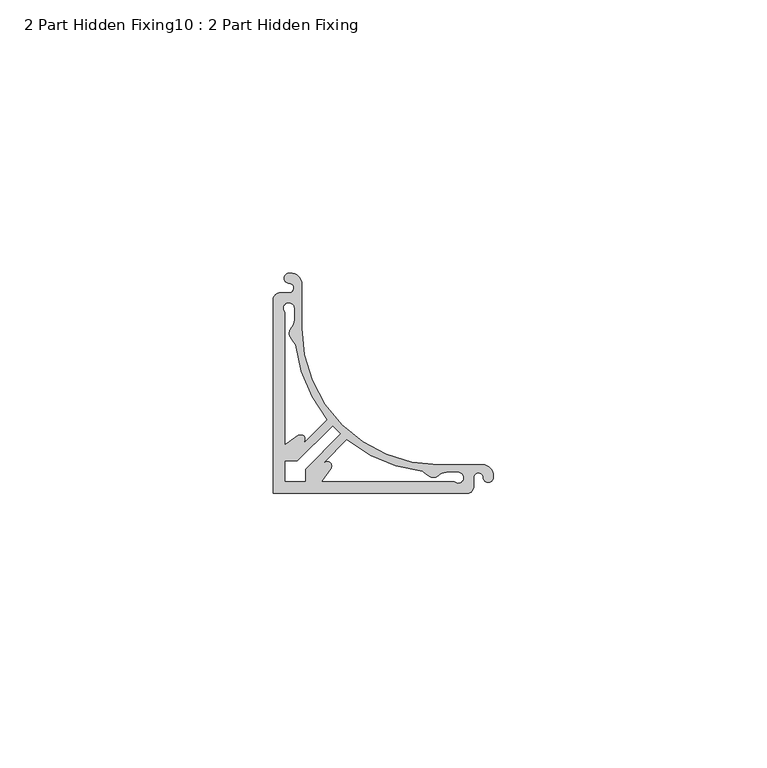
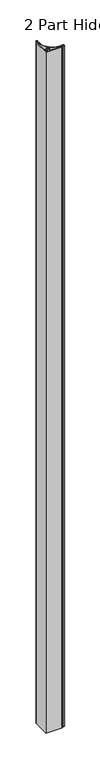
"""IFC4 building model written with IfcOpenShell, lengths in millimetres: proxy geometry, 2 Part Hidden Fixing10 : 2 Part Hidden Fixing."""

from ifc_helpers import new_model, si_unit, point, frame, frame_2d, origin, place, context, project, spatial, polyline, circle_curve, trimmed, segment, composite_curve, outline, extrude, source, transform, mapped, element, save


def proxy_2_part_hidden_fixing10_2_part_hidden_fixing_4ecc4604(model_context):
    return source(origin(), model_context, "Body", "SweptSolid", [
        extrude(outline(composite_curve([segment(polyline([(-1875.4488665, 962.8574368), (-1867.3988665, 962.8574368)]), True, "CONTINUOUS"), segment(trimmed(circle_curve(frame_2d((-1867.3988665, 960.8167528)), 2.040684), [point((-1867.3988665, 962.8574368))], [point((-1865.4205254, 960.3161957))], False, "CARTESIAN"), True, "CONTINUOUS"), segment(trimmed(circle_curve(frame_2d((-1866.3115046, 960.54163)), 0.9190564), [point((-1865.4205254, 960.3161957))], [point((-1867.2302299, 960.5169606))], False, "CARTESIAN"), True, "CONTINUOUS"), segment(trimmed(circle_curve(frame_2d((-1868.1121877, 960.4932784)), 0.8822757), [point((-1867.2302299, 960.5169606))], [point((-1868.99445, 960.4884228))], True, "CARTESIAN"), True, "CONTINUOUS"), segment(polyline([(-1868.99445, 960.4884228), (-1868.998869, 958.705454)]), True, "CONTINUOUS"), segment(trimmed(circle_curve(frame_2d((-1870.2538822, 958.8584598)), 1.2643057), [point((-1868.998869, 958.705454))], [point((-1870.6488665, 957.6574368))], False, "CARTESIAN"), True, "CONTINUOUS"), segment(polyline([(-1870.6488665, 957.6574368), (-1905.6488665, 957.6574368), (-1905.6488665, 992.6574368)]), True, "CONTINUOUS"), segment(trimmed(circle_curve(frame_2d((-1904.4478436, 993.0524211)), 1.2643057), [point((-1905.6488665, 992.6574368))], [point((-1904.6008493, 994.3074343))], False, "CARTESIAN"), True, "CONTINUOUS"), segment(polyline([(-1904.6008493, 994.3074343), (-1902.8178806, 994.3118533)]), True, "CONTINUOUS"), segment(trimmed(circle_curve(frame_2d((-1902.8130249, 995.1941156)), 0.8822757), [point((-1902.8178806, 994.3118533))], [point((-1902.7893427, 996.0760734))], True, "CARTESIAN"), True, "CONTINUOUS"), segment(trimmed(circle_curve(frame_2d((-1902.7646733, 996.9947987)), 0.9190564), [point((-1902.7893427, 996.0760734))], [point((-1902.9901076, 997.8857779))], False, "CARTESIAN"), True, "CONTINUOUS"), segment(trimmed(circle_curve(frame_2d((-1902.4895505, 995.9074368)), 2.040684), [point((-1902.9901076, 997.8857779))], [point((-1900.4488665, 995.9074368))], False, "CARTESIAN"), True, "CONTINUOUS"), segment(polyline([(-1900.4488665, 995.9074368), (-1900.4488665, 987.8574368)]), True, "CONTINUOUS"), segment(trimmed(circle_curve(frame_2d((-1875.4488665, 987.8574368)), 25.0), [point((-1900.4488665, 987.8574368))], [point((-1875.4488665, 962.8574368))], True, "CARTESIAN"), True, "CONTINUOUS")], self_intersect=False), holes=[composite_curve([segment(trimmed(circle_curve(frame_2d((-1875.4488665, 987.8574368)), 26.4), [point((-1893.3959818, 968.4961079))], [point((-1894.8101954, 969.9103215))], False, "CARTESIAN"), True, "CONTINUOUS"), segment(polyline([(-1894.8101954, 969.9103215), (-1901.2682988, 963.4522181), (-1903.4488665, 963.4522181), (-1903.4488665, 959.8574368), (-1899.8540852, 959.8574368), (-1899.8540852, 962.0380045), (-1893.3959818, 968.4961079)]), True, "CONTINUOUS")], self_intersect=False), composite_curve([segment(polyline([(-1871.9413714, 961.4574368), (-1873.9490683, 961.4574368)]), True, "CONTINUOUS"), segment(trimmed(circle_curve(frame_2d((-1873.9490683, 959.3511477)), 2.1062891), [point((-1873.9490683, 961.4574368))], [point((-1875.4038426, 960.8743304))], True, "CARTESIAN"), True, "CONTINUOUS"), segment(trimmed(circle_curve(frame_2d((-1876.3746748, 961.8908143)), 1.4056154), [point((-1875.4038426, 960.8743304))], [point((-1877.0488665, 960.6574368))], False, "CARTESIAN"), True, "CONTINUOUS"), segment(trimmed(circle_curve(frame_2d((-1873.2590246, 967.590636)), 7.901402), [point((-1877.0488665, 960.6574368))], [point((-1878.4433152, 961.6278108))], False, "CARTESIAN"), True, "CONTINUOUS"), segment(trimmed(circle_curve(frame_2d((-1875.4488665, 987.8574368)), 26.4), [point((-1878.4433152, 961.6278108))], [point((-1892.1872563, 967.4420918))], False, "CARTESIAN"), True, "CONTINUOUS"), segment(polyline([(-1892.1872563, 967.4420918), (-1896.2742724, 963.3550757)]), True, "CONTINUOUS"), segment(trimmed(circle_curve(frame_2d((-1895.7812734, 962.6459932)), 0.8636238), [point((-1896.2742724, 963.3550757))], [point((-1895.0721909, 962.1529941))], False, "CARTESIAN"), True, "CONTINUOUS"), segment(polyline([(-1895.0721909, 962.1529941), (-1896.6682077, 959.8574368), (-1872.5665682, 959.8574368)]), True, "CONTINUOUS"), segment(trimmed(circle_curve(frame_2d((-1871.8235324, 960.4892442)), 0.9753373), [point((-1872.5665682, 959.8574368))], [point((-1871.9413714, 961.4574368))], True, "CARTESIAN"), True, "CONTINUOUS")], self_intersect=False), composite_curve([segment(trimmed(circle_curve(frame_2d((-1875.4488665, 987.8574368)), 26.4), [point((-1895.8642115, 971.1190471))], [point((-1901.6784925, 984.8629881))], False, "CARTESIAN"), True, "CONTINUOUS"), segment(trimmed(circle_curve(frame_2d((-1895.7156674, 990.0472787)), 7.901402), [point((-1901.6784925, 984.8629881))], [point((-1902.6488665, 986.2574368))], False, "CARTESIAN"), True, "CONTINUOUS"), segment(trimmed(circle_curve(frame_2d((-1901.415489, 986.9316286)), 1.4056154), [point((-1902.6488665, 986.2574368))], [point((-1902.431973, 987.9024607))], False, "CARTESIAN"), True, "CONTINUOUS"), segment(trimmed(circle_curve(frame_2d((-1903.9551556, 989.357235)), 2.1062891), [point((-1902.431973, 987.9024607))], [point((-1901.8488665, 989.357235))], True, "CARTESIAN"), True, "CONTINUOUS"), segment(polyline([(-1901.8488665, 989.357235), (-1901.8488665, 991.364932)]), True, "CONTINUOUS"), segment(trimmed(circle_curve(frame_2d((-1902.8170591, 991.4827709)), 0.9753373), [point((-1901.8488665, 991.364932))], [point((-1903.4488665, 990.7397351))], True, "CARTESIAN"), True, "CONTINUOUS"), segment(polyline([(-1903.4488665, 990.7397351), (-1903.4488665, 966.6380956), (-1901.1533092, 968.2341124)]), True, "CONTINUOUS"), segment(trimmed(circle_curve(frame_2d((-1900.6603101, 967.52503)), 0.8636238), [point((-1901.1533092, 968.2341124))], [point((-1899.9512277, 967.0320309))], False, "CARTESIAN"), True, "CONTINUOUS"), segment(polyline([(-1899.9512277, 967.0320309), (-1895.8642115, 971.1190471)]), True, "CONTINUOUS")], self_intersect=False)]), frame((0.0, 0.0, -163.8351777), z_axis=(0.0, 0.0, 1.0), x_axis=(1.0, 0.0, 0.0)), (0.0, 0.0, 1.0), 1500.0),
    ])


if __name__ == "__main__":
    model = new_model("IFC4")
    model_context = context("Model", 3, world=origin())
    ifc_project = project(units=[si_unit("LENGTHUNIT", "METRE", prefix="MILLI")], contexts=[model_context])
    site = spatial("IfcSite", under=ifc_project)
    building = spatial("IfcBuilding", under=site)
    placement = place(None, origin())
    proxy_2_part_hidden_fixing10_2_part_hidden_fixing_shape = proxy_2_part_hidden_fixing10_2_part_hidden_fixing_4ecc4604(model_context)
    element("IfcBuildingElementProxy", 1, Name="2 Part Hidden Fixing10 : 2 Part Hidden Fixing", ObjectType="2 Part Hidden Fixing10 : 2 Part Hidden Fixing", at=placement, inside=building, context=model_context, shape_type="MappedRepresentation", body=[
        mapped(proxy_2_part_hidden_fixing10_2_part_hidden_fixing_shape, transform((0.0, 0.0, 0.0), x_axis=(1.0, 0.0, 0.0), y_axis=(0.0, 1.0, 0.0), z_axis=(0.0, 0.0, 1.0))),
    ])
    save(model, "model.ifc")
